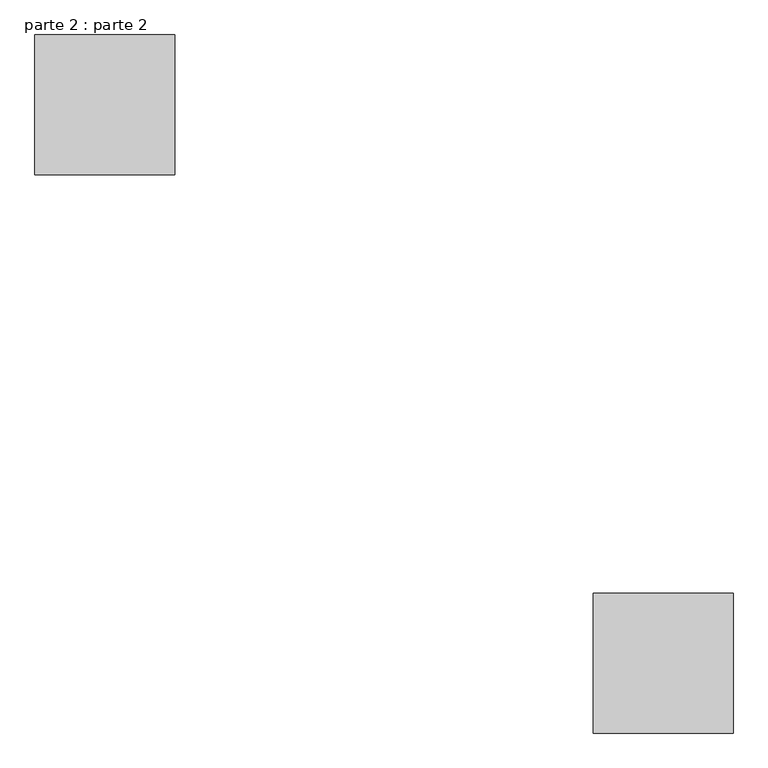
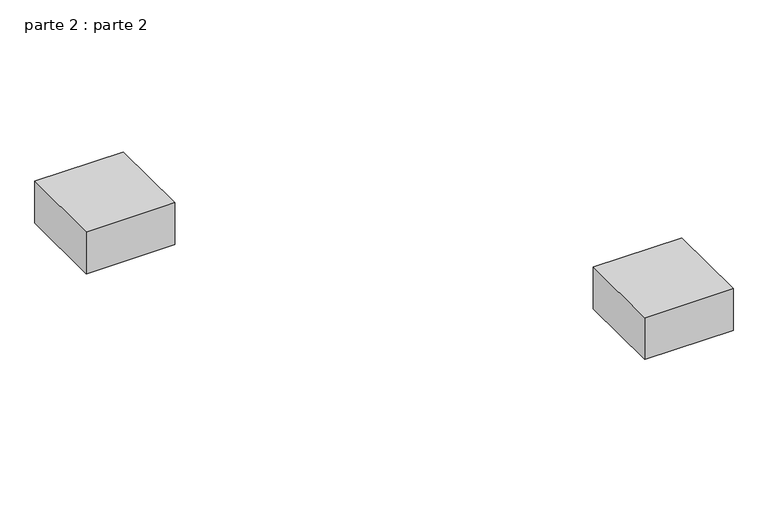
"""IFC4 building model written with IfcOpenShell, lengths in millimetres: proxy geometry, parte 2 : parte 2."""

from ifc_helpers import new_model, si_unit, frame, origin, place, context, project, spatial, polyline, outline, extrude, source, transform, mapped, element, save


def parte_2_parte_2_10f2dfdb(model_context):
    return source(origin(), model_context, "Body", "SweptSolid", [
        extrude(outline(polyline([(1000.0, 200.0), (1000.0, 0.0), (800.0, 0.0), (800.0, 200.0), (1000.0, 200.0)])), frame((0.0, 0.0, 1300.0), z_axis=(0.0, 0.0, 1.0), x_axis=(1.0, 0.0, 0.0)), (0.0, 0.0, 1.0), 100.0),
        extrude(outline(polyline([(200.0, 1000.0), (200.0, 800.0), (0.0, 800.0), (0.0, 1000.0), (200.0, 1000.0)])), frame((0.0, 0.0, 1300.0), z_axis=(0.0, 0.0, 1.0), x_axis=(1.0, 0.0, 0.0)), (0.0, 0.0, 1.0), 100.0),
    ])


if __name__ == "__main__":
    model = new_model("IFC4")
    model_context = context("Model", 3, world=origin())
    ifc_project = project(units=[si_unit("LENGTHUNIT", "METRE", prefix="MILLI")], contexts=[model_context])
    site = spatial("IfcSite", under=ifc_project)
    building = spatial("IfcBuilding", under=site)
    placement = place(None, origin())
    parte_2_parte_2_shape = parte_2_parte_2_10f2dfdb(model_context)
    element("IfcBuildingElementProxy", 1, Name="parte 2 : parte 2", ObjectType="parte 2 : parte 2", at=placement, inside=building, context=model_context, shape_type="MappedRepresentation", body=[
        mapped(parte_2_parte_2_shape, transform((0.0, 0.0, 0.0), x_axis=(1.0, 0.0, 0.0), y_axis=(0.0, 1.0, 0.0), z_axis=(0.0, 0.0, 1.0))),
    ])
    save(model, "model.ifc")
